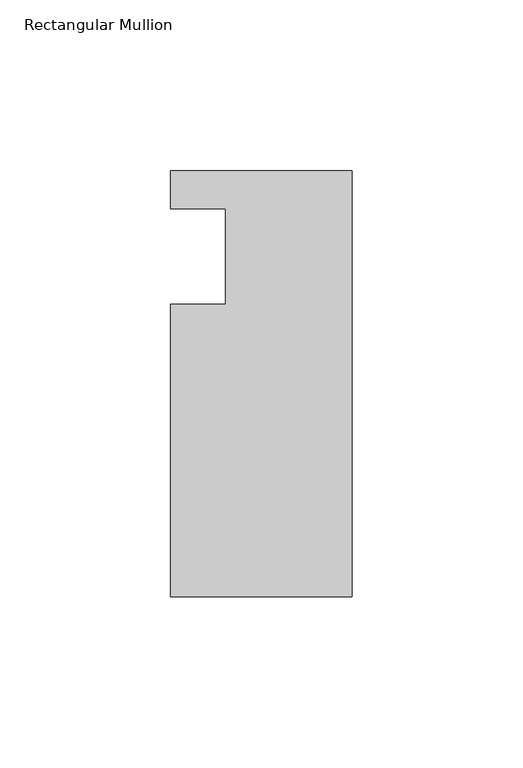
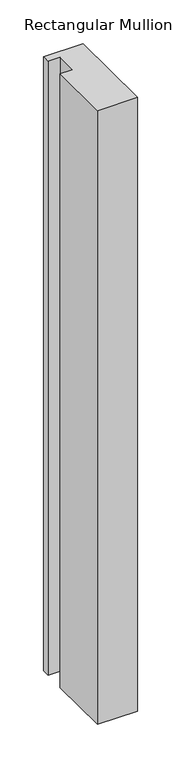
"""IFC4 building model written with IfcOpenShell, lengths in millimetres: member geometry, Rectangular Mullion."""

import ifcopenshell
import ifcopenshell.guid

model = None  # the IFC model being written
_history = None  # IfcOwnerHistory: only IFC2X3 demands one
_inside = {}  # id of a spatial element -> (the spatial element, [elements in it])
_under = {}  # id of a project, library or spatial element -> (it, [spatial elements below it])
_declared = {}  # id of a project -> (the project, [libraries it declares])
_typed = {}  # id of a type object -> (the type object, [elements of that type])
_made_of = {}  # id of a material, layer set ... -> (it, [elements and type objects made of it])


def new_model(schema):
    """Start an empty IFC model of exactly this schema.

    Asked for "IFC4X3", IfcOpenShell would pick the latest addendum, in which some entities
    have other attributes; the version numbers below select the first issue.
    IFC2X3 requires an IfcOwnerHistory on every rooted entity: one is made here for all.
    """
    global model, _history
    if schema == "IFC4X3":
        model = ifcopenshell.file(schema_version=(4, 3, 0, 0))
    else:
        model = ifcopenshell.file(schema=schema)
    _inside.clear()
    _under.clear()
    _declared.clear()
    _typed.clear()
    _made_of.clear()
    _history = None
    if model.schema == "IFC2X3":
        org = make("IfcOrganization", Name="unknown")
        user = make(
            "IfcPersonAndOrganization",
            ThePerson=make("IfcPerson", FamilyName="unknown"),
            TheOrganization=org,
        )
        app = make(
            "IfcApplication",
            ApplicationDeveloper=org,
            Version="unknown",
            ApplicationFullName="unknown",
            ApplicationIdentifier="unknown",
        )
        _history = make(
            "IfcOwnerHistory",
            OwningUser=user,
            OwningApplication=app,
            ChangeAction="ADDED",
            CreationDate=0,
        )
    return model


def make(cls, **values):
    """One entity of the class cls with the attributes given. An attribute that is None is left unset."""
    return model.create_entity(
        cls, **{name: value for name, value in values.items() if value is not None}
    )


def rooted(cls, **values):
    """An entity with a GlobalId (a new one), such as an element, a storey or a relation."""
    return make(cls, GlobalId=ifcopenshell.guid.new(), OwnerHistory=_history, **values)


def si_unit(unit_type, name, prefix=None):
    """IfcSIUnit, for example si_unit("LENGTHUNIT", "METRE", prefix="MILLI")."""
    return make("IfcSIUnit", UnitType=unit_type, Prefix=prefix, Name=name)


def assignment(units):
    """IfcUnitAssignment: the units of a project."""
    return None if units is None else make("IfcUnitAssignment", Units=units)


def point(xyz):
    """IfcCartesianPoint."""
    return None if xyz is None else make("IfcCartesianPoint", Coordinates=xyz)


def direction(xyz):
    """IfcDirection."""
    return None if xyz is None else make("IfcDirection", DirectionRatios=xyz)


def frame(location, z_axis=None, x_axis=None):
    """IfcAxis2Placement3D, a coordinate frame: its origin and axes. An axis left out is left unset."""
    return make(
        "IfcAxis2Placement3D",
        Location=point(location),
        Axis=direction(z_axis),
        RefDirection=direction(x_axis),
    )


def origin():
    """The frame at (0, 0, 0) with its axes left unset."""
    return frame((0.0, 0.0, 0.0))


def place(relative_to, where):
    """IfcLocalPlacement: puts the frame where relative to a parent placement (None: the world)."""
    return make(
        "IfcLocalPlacement", PlacementRelTo=relative_to, RelativePlacement=where
    )


def context(
    kind, dimensions, precision=None, world=None, true_north=None, identifier=None
):
    """IfcGeometricRepresentationContext, for example the 3D "Model" context."""
    return make(
        "IfcGeometricRepresentationContext",
        ContextIdentifier=identifier,
        ContextType=kind,
        CoordinateSpaceDimension=dimensions,
        Precision=precision,
        WorldCoordinateSystem=world,
        TrueNorth=true_north,
    )


def project(units=None, contexts=None):
    """IfcProject with its units and contexts."""
    return rooted(
        "IfcProject",
        Name="project",
        RepresentationContexts=contexts,
        UnitsInContext=assignment(units),
    )


def spatial(cls, under=None, at=None, **own):
    """A site, building, storey or space (cls), placed at a placement, below another one or the project."""
    s = rooted(cls, ObjectPlacement=at, **own)
    if under is not None:
        _under.setdefault(under.id(), (under, []))[1].append(s)
    return s


def polyline(points):
    """IfcPolyline through the points."""
    return make("IfcPolyline", Points=[point(p) for p in points])


def outline(outer, holes=None, kind="AREA"):
    """IfcArbitraryClosedProfileDef: a profile drawn as a closed curve; with holes, ...WithVoids."""
    if holes is None:
        return make("IfcArbitraryClosedProfileDef", ProfileType=kind, OuterCurve=outer)
    return make(
        "IfcArbitraryProfileDefWithVoids",
        ProfileType=kind,
        OuterCurve=outer,
        InnerCurves=holes,
    )


def extrude(swept, where, along, depth):
    """IfcExtrudedAreaSolid: the profile swept, set in the frame where, extruded along a direction by depth."""
    return make(
        "IfcExtrudedAreaSolid",
        SweptArea=swept,
        Position=where,
        ExtrudedDirection=direction(along),
        Depth=depth,
    )


def shape(context_of_items, identifier, shape_type, items):
    """IfcShapeRepresentation: the items that make up one representation, for example the "Body"."""
    return make(
        "IfcShapeRepresentation",
        ContextOfItems=context_of_items,
        RepresentationIdentifier=identifier,
        RepresentationType=shape_type,
        Items=items,
    )


def source(mapping_origin, context_of_items, identifier, shape_type, items):
    """IfcRepresentationMap: a shape defined once, which mapped items show again and again."""
    return make(
        "IfcRepresentationMap",
        MappingOrigin=mapping_origin,
        MappedRepresentation=shape(context_of_items, identifier, shape_type, items),
    )


def transform(
    local_origin,
    x_axis=None,
    y_axis=None,
    z_axis=None,
    scale=None,
    scale2=None,
    scale3=None,
    uniform=True,
):
    """IfcCartesianTransformationOperator3D, or its non-uniform kind. x_axis, y_axis, z_axis: its Axis1, 2, 3."""
    if uniform:
        return make(
            "IfcCartesianTransformationOperator3D",
            Axis1=direction(x_axis),
            Axis2=direction(y_axis),
            LocalOrigin=point(local_origin),
            Scale=scale,
            Axis3=direction(z_axis),
        )
    return make(
        "IfcCartesianTransformationOperator3DnonUniform",
        Axis1=direction(x_axis),
        Axis2=direction(y_axis),
        LocalOrigin=point(local_origin),
        Scale=scale,
        Axis3=direction(z_axis),
        Scale2=scale2,
        Scale3=scale3,
    )


def mapped(mapping_source, mapping_target):
    """IfcMappedItem: shows the shape of a source again, moved by a transform."""
    return make(
        "IfcMappedItem", MappingSource=mapping_source, MappingTarget=mapping_target
    )


def made_of(thing, what):
    """Note that an element or type object is made of a material, layer set ...; save() writes the relation."""
    if what is not None:
        _made_of.setdefault(what.id(), (what, []))[1].append(thing)
    return thing


def element(
    cls,
    number,
    at=None,
    inside=None,
    cuts=None,
    type_object=None,
    material=None,
    context=None,
    identifier="Body",
    shape_type=None,
    held_by="IfcProductDefinitionShape",
    body=None,
    shapes=None,
    **own,
):
    """One element of the class cls, such as IfcWall. Its Tag is "e" and its number.

    at: its placement. inside: the storey or other place that contains it. cuts: it is an
    opening in that element (IfcRelVoidsElement). A single representation is given by context,
    identifier, shape_type and body (its items); several are given by shapes. held_by: the class
    of the entity that holds the representations. save() writes the other relations.
    """
    e = rooted(cls, Tag="e%d" % number, ObjectPlacement=at, **own)
    if body is not None:
        shapes = [shape(context, identifier, shape_type, body)]
    if shapes is not None:
        e.Representation = make(held_by, Representations=shapes)
    if inside is not None:
        _inside.setdefault(inside.id(), (inside, []))[1].append(e)
    if cuts is not None:
        rooted(
            "IfcRelVoidsElement", RelatingBuildingElement=cuts, RelatedOpeningElement=e
        )
    if type_object is not None:
        _typed.setdefault(type_object.id(), (type_object, []))[1].append(e)
    return made_of(e, material)


def aggregate(whole, parts):
    """IfcRelAggregates: a whole, such as a stair, and the parts it consists of."""
    return rooted("IfcRelAggregates", RelatingObject=whole, RelatedObjects=parts)


def save(model, path):
    """Write the relations noted so far, then the file.

    IfcRelAggregates (storeys below a building ...), IfcRelContainedInSpatialStructure (elements
    in a storey), IfcRelDefinesByType, IfcRelAssociatesMaterial and IfcRelDeclares: one each for
    every whole, place, type object, material and project.
    """
    for whole, parts in _under.values():
        aggregate(whole, parts)
    for where, things in _inside.values():
        rooted(
            "IfcRelContainedInSpatialStructure",
            RelatedElements=things,
            RelatingStructure=where,
        )
    for kind, things in _typed.values():
        rooted("IfcRelDefinesByType", RelatedObjects=things, RelatingType=kind)
    for what, things in _made_of.values():
        rooted("IfcRelAssociatesMaterial", RelatedObjects=things, RelatingMaterial=what)
    for by, libraries in _declared.values():
        rooted("IfcRelDeclares", RelatingContext=by, RelatedDefinitions=libraries)
    model.write(path)


def rectangular_mullion_f1570536(model_context):
    return source(origin(), model_context, "Body", "SweptSolid", [
        extrude(outline(polyline([(0.0, 25.0), (0.0, -99.5), (-53.0, -99.5), (-53.0, -14.0), (-37.0, -14.0), (-37.0, 14.0), (-53.0, 14.0), (-53.0, 25.0), (0.0, 25.0)])), frame((0.0, 0.0, -861.4711106), z_axis=(0.0, 0.0, 1.0), x_axis=(1.0, 0.0, 0.0)), (0.0, 0.0, 1.0), 861.4711106),
    ])


if __name__ == "__main__":
    model = new_model("IFC4")
    model_context = context("Model", 3, world=origin())
    ifc_project = project(units=[si_unit("LENGTHUNIT", "METRE", prefix="MILLI")], contexts=[model_context])
    site = spatial("IfcSite", under=ifc_project)
    building = spatial("IfcBuilding", under=site)
    placement = place(None, origin())
    rectangular_mullion_shape = rectangular_mullion_f1570536(model_context)
    element("IfcMember", 1, ObjectType="Rectangular Mullion", at=placement, inside=building, context=model_context, shape_type="MappedRepresentation", body=[
        mapped(rectangular_mullion_shape, transform((0.0, 0.0, 0.0), x_axis=(1.0, 0.0, 0.0), y_axis=(0.0, 1.0, 0.0), z_axis=(0.0, 0.0, 1.0))),
    ])
    save(model, "model.ifc")
